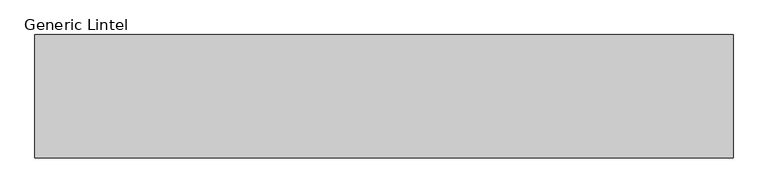
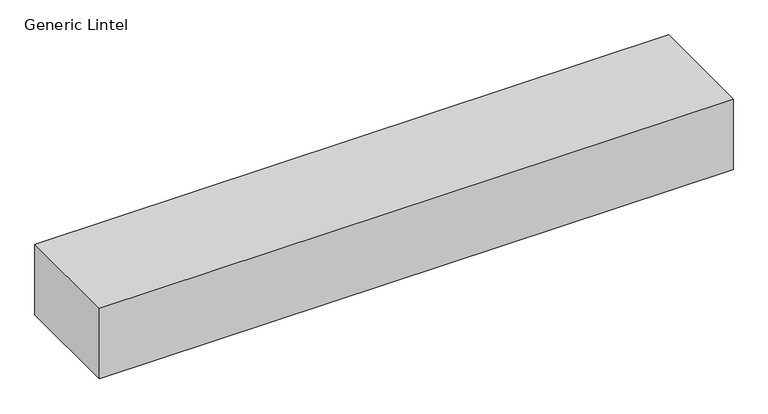
"""IFC4 building model written with IfcOpenShell, lengths in millimetres: proxy geometry, Generic Lintel."""

import ifcopenshell
import ifcopenshell.guid

model = None  # the IFC model being written
_history = None  # IfcOwnerHistory: only IFC2X3 demands one
_inside = {}  # id of a spatial element -> (the spatial element, [elements in it])
_under = {}  # id of a project, library or spatial element -> (it, [spatial elements below it])
_declared = {}  # id of a project -> (the project, [libraries it declares])
_typed = {}  # id of a type object -> (the type object, [elements of that type])
_made_of = {}  # id of a material, layer set ... -> (it, [elements and type objects made of it])


def new_model(schema):
    """Start an empty IFC model of exactly this schema.

    Asked for "IFC4X3", IfcOpenShell would pick the latest addendum, in which some entities
    have other attributes; the version numbers below select the first issue.
    IFC2X3 requires an IfcOwnerHistory on every rooted entity: one is made here for all.
    """
    global model, _history
    if schema == "IFC4X3":
        model = ifcopenshell.file(schema_version=(4, 3, 0, 0))
    else:
        model = ifcopenshell.file(schema=schema)
    _inside.clear()
    _under.clear()
    _declared.clear()
    _typed.clear()
    _made_of.clear()
    _history = None
    if model.schema == "IFC2X3":
        org = make("IfcOrganization", Name="unknown")
        user = make(
            "IfcPersonAndOrganization",
            ThePerson=make("IfcPerson", FamilyName="unknown"),
            TheOrganization=org,
        )
        app = make(
            "IfcApplication",
            ApplicationDeveloper=org,
            Version="unknown",
            ApplicationFullName="unknown",
            ApplicationIdentifier="unknown",
        )
        _history = make(
            "IfcOwnerHistory",
            OwningUser=user,
            OwningApplication=app,
            ChangeAction="ADDED",
            CreationDate=0,
        )
    return model


def make(cls, **values):
    """One entity of the class cls with the attributes given. An attribute that is None is left unset."""
    return model.create_entity(
        cls, **{name: value for name, value in values.items() if value is not None}
    )


def rooted(cls, **values):
    """An entity with a GlobalId (a new one), such as an element, a storey or a relation."""
    return make(cls, GlobalId=ifcopenshell.guid.new(), OwnerHistory=_history, **values)


def si_unit(unit_type, name, prefix=None):
    """IfcSIUnit, for example si_unit("LENGTHUNIT", "METRE", prefix="MILLI")."""
    return make("IfcSIUnit", UnitType=unit_type, Prefix=prefix, Name=name)


def assignment(units):
    """IfcUnitAssignment: the units of a project."""
    return None if units is None else make("IfcUnitAssignment", Units=units)


def point(xyz):
    """IfcCartesianPoint."""
    return None if xyz is None else make("IfcCartesianPoint", Coordinates=xyz)


def direction(xyz):
    """IfcDirection."""
    return None if xyz is None else make("IfcDirection", DirectionRatios=xyz)


def frame(location, z_axis=None, x_axis=None):
    """IfcAxis2Placement3D, a coordinate frame: its origin and axes. An axis left out is left unset."""
    return make(
        "IfcAxis2Placement3D",
        Location=point(location),
        Axis=direction(z_axis),
        RefDirection=direction(x_axis),
    )


def origin():
    """The frame at (0, 0, 0) with its axes left unset."""
    return frame((0.0, 0.0, 0.0))


def origin_with_axes():
    """The frame at (0, 0, 0) with the z axis (0, 0, 1) and the x axis (1, 0, 0) written out."""
    return frame((0.0, 0.0, 0.0), z_axis=(0.0, 0.0, 1.0), x_axis=(1.0, 0.0, 0.0))


def place(relative_to, where):
    """IfcLocalPlacement: puts the frame where relative to a parent placement (None: the world)."""
    return make(
        "IfcLocalPlacement", PlacementRelTo=relative_to, RelativePlacement=where
    )


def context(
    kind, dimensions, precision=None, world=None, true_north=None, identifier=None
):
    """IfcGeometricRepresentationContext, for example the 3D "Model" context."""
    return make(
        "IfcGeometricRepresentationContext",
        ContextIdentifier=identifier,
        ContextType=kind,
        CoordinateSpaceDimension=dimensions,
        Precision=precision,
        WorldCoordinateSystem=world,
        TrueNorth=true_north,
    )


def project(units=None, contexts=None):
    """IfcProject with its units and contexts."""
    return rooted(
        "IfcProject",
        Name="project",
        RepresentationContexts=contexts,
        UnitsInContext=assignment(units),
    )


def spatial(cls, under=None, at=None, **own):
    """A site, building, storey or space (cls), placed at a placement, below another one or the project."""
    s = rooted(cls, ObjectPlacement=at, **own)
    if under is not None:
        _under.setdefault(under.id(), (under, []))[1].append(s)
    return s


def polyline(points):
    """IfcPolyline through the points."""
    return make("IfcPolyline", Points=[point(p) for p in points])


def outline(outer, holes=None, kind="AREA"):
    """IfcArbitraryClosedProfileDef: a profile drawn as a closed curve; with holes, ...WithVoids."""
    if holes is None:
        return make("IfcArbitraryClosedProfileDef", ProfileType=kind, OuterCurve=outer)
    return make(
        "IfcArbitraryProfileDefWithVoids",
        ProfileType=kind,
        OuterCurve=outer,
        InnerCurves=holes,
    )


def extrude(swept, where, along, depth):
    """IfcExtrudedAreaSolid: the profile swept, set in the frame where, extruded along a direction by depth."""
    return make(
        "IfcExtrudedAreaSolid",
        SweptArea=swept,
        Position=where,
        ExtrudedDirection=direction(along),
        Depth=depth,
    )


def shape(context_of_items, identifier, shape_type, items):
    """IfcShapeRepresentation: the items that make up one representation, for example the "Body"."""
    return make(
        "IfcShapeRepresentation",
        ContextOfItems=context_of_items,
        RepresentationIdentifier=identifier,
        RepresentationType=shape_type,
        Items=items,
    )


def source(mapping_origin, context_of_items, identifier, shape_type, items):
    """IfcRepresentationMap: a shape defined once, which mapped items show again and again."""
    return make(
        "IfcRepresentationMap",
        MappingOrigin=mapping_origin,
        MappedRepresentation=shape(context_of_items, identifier, shape_type, items),
    )


def transform(
    local_origin,
    x_axis=None,
    y_axis=None,
    z_axis=None,
    scale=None,
    scale2=None,
    scale3=None,
    uniform=True,
):
    """IfcCartesianTransformationOperator3D, or its non-uniform kind. x_axis, y_axis, z_axis: its Axis1, 2, 3."""
    if uniform:
        return make(
            "IfcCartesianTransformationOperator3D",
            Axis1=direction(x_axis),
            Axis2=direction(y_axis),
            LocalOrigin=point(local_origin),
            Scale=scale,
            Axis3=direction(z_axis),
        )
    return make(
        "IfcCartesianTransformationOperator3DnonUniform",
        Axis1=direction(x_axis),
        Axis2=direction(y_axis),
        LocalOrigin=point(local_origin),
        Scale=scale,
        Axis3=direction(z_axis),
        Scale2=scale2,
        Scale3=scale3,
    )


def mapped(mapping_source, mapping_target):
    """IfcMappedItem: shows the shape of a source again, moved by a transform."""
    return make(
        "IfcMappedItem", MappingSource=mapping_source, MappingTarget=mapping_target
    )


def made_of(thing, what):
    """Note that an element or type object is made of a material, layer set ...; save() writes the relation."""
    if what is not None:
        _made_of.setdefault(what.id(), (what, []))[1].append(thing)
    return thing


def element(
    cls,
    number,
    at=None,
    inside=None,
    cuts=None,
    type_object=None,
    material=None,
    context=None,
    identifier="Body",
    shape_type=None,
    held_by="IfcProductDefinitionShape",
    body=None,
    shapes=None,
    **own,
):
    """One element of the class cls, such as IfcWall. Its Tag is "e" and its number.

    at: its placement. inside: the storey or other place that contains it. cuts: it is an
    opening in that element (IfcRelVoidsElement). A single representation is given by context,
    identifier, shape_type and body (its items); several are given by shapes. held_by: the class
    of the entity that holds the representations. save() writes the other relations.
    """
    e = rooted(cls, Tag="e%d" % number, ObjectPlacement=at, **own)
    if body is not None:
        shapes = [shape(context, identifier, shape_type, body)]
    if shapes is not None:
        e.Representation = make(held_by, Representations=shapes)
    if inside is not None:
        _inside.setdefault(inside.id(), (inside, []))[1].append(e)
    if cuts is not None:
        rooted(
            "IfcRelVoidsElement", RelatingBuildingElement=cuts, RelatedOpeningElement=e
        )
    if type_object is not None:
        _typed.setdefault(type_object.id(), (type_object, []))[1].append(e)
    return made_of(e, material)


def aggregate(whole, parts):
    """IfcRelAggregates: a whole, such as a stair, and the parts it consists of."""
    return rooted("IfcRelAggregates", RelatingObject=whole, RelatedObjects=parts)


def save(model, path):
    """Write the relations noted so far, then the file.

    IfcRelAggregates (storeys below a building ...), IfcRelContainedInSpatialStructure (elements
    in a storey), IfcRelDefinesByType, IfcRelAssociatesMaterial and IfcRelDeclares: one each for
    every whole, place, type object, material and project.
    """
    for whole, parts in _under.values():
        aggregate(whole, parts)
    for where, things in _inside.values():
        rooted(
            "IfcRelContainedInSpatialStructure",
            RelatedElements=things,
            RelatingStructure=where,
        )
    for kind, things in _typed.values():
        rooted("IfcRelDefinesByType", RelatedObjects=things, RelatingType=kind)
    for what, things in _made_of.values():
        rooted("IfcRelAssociatesMaterial", RelatedObjects=things, RelatingMaterial=what)
    for by, libraries in _declared.values():
        rooted("IfcRelDeclares", RelatingContext=by, RelatedDefinitions=libraries)
    model.write(path)


def generic_lintel_b10b4b65(model_context):
    return source(origin(), model_context, "Body", "SweptSolid", [
        extrude(outline(polyline([(975.0, 150.0), (975.0, -150.0), (-725.0, -150.0), (-725.0, 150.0), (975.0, 150.0)])), origin_with_axes(), (0.0, 0.0, 1.0), 200.0),
    ])


if __name__ == "__main__":
    model = new_model("IFC4")
    model_context = context("Model", 3, world=origin())
    ifc_project = project(units=[si_unit("LENGTHUNIT", "METRE", prefix="MILLI")], contexts=[model_context])
    site = spatial("IfcSite", under=ifc_project)
    building = spatial("IfcBuilding", under=site)
    placement = place(None, origin())
    generic_lintel_shape = generic_lintel_b10b4b65(model_context)
    element("IfcBuildingElementProxy", 1, Name="Generic Lintel", ObjectType="Generic Lintel", at=placement, inside=building, context=model_context, shape_type="MappedRepresentation", body=[
        mapped(generic_lintel_shape, transform((0.0, 0.0, 0.0), x_axis=(1.0, 0.0, 0.0), y_axis=(0.0, 1.0, 0.0), z_axis=(0.0, 0.0, 1.0))),
    ])
    save(model, "model.ifc")
